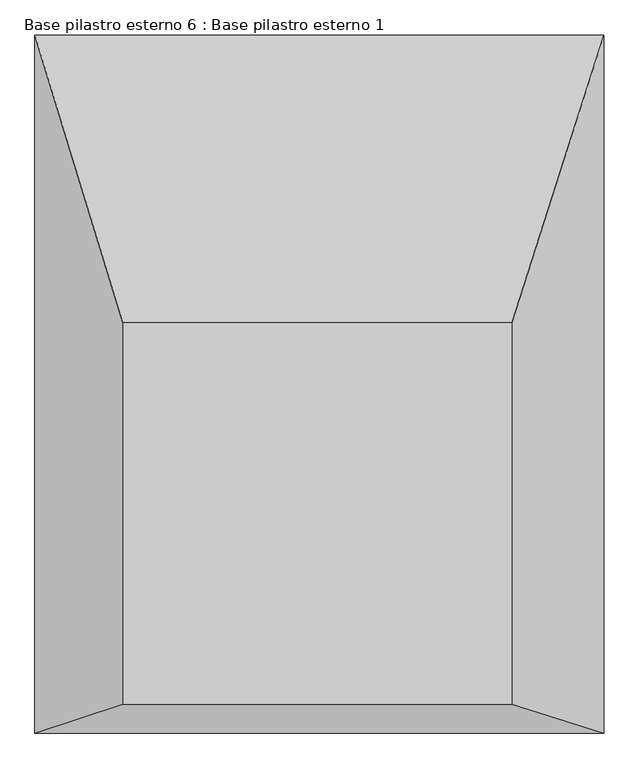
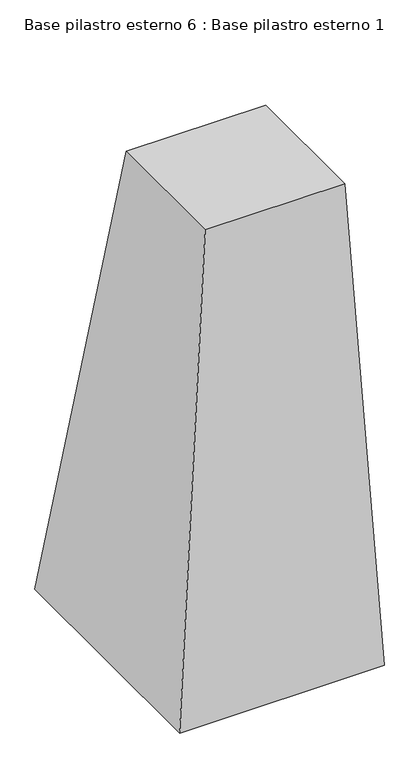
"""IFC4 building model written with IfcOpenShell, lengths in millimetres: column geometry, Base pilastro esterno 6 : Base pilastro esterno 1."""

from ifc_helpers import new_model, si_unit, origin, place, context, project, spatial, faceted_brep, source, transform, mapped, element, save


def base_pilastro_esterno_6_base_pilastro_esterno_1_2bf5d15f(model_context):
    return source(origin(), model_context, "Body", "Brep", [
        faceted_brep([(-57751.5039211, 123740.035984, -277.4358654), (-57148.5087154, 123740.035984, -277.4358654), (-57148.5087154, 124330.2918544, -277.4358654), (-57751.5039211, 124330.2918544, -277.4358654), (-57887.3901647, 123695.5650876, -2496.9800423), (-57887.3901647, 124776.1685911, -2496.9800423), (-57005.5415246, 124776.1685911, -2496.9800423), (-57005.5415246, 123695.5650876, -2496.9800423)], [[[0, 1, 2, 3]], [[4, 5, 6, 7]], [[4, 7, 1, 0]], [[7, 6, 2, 1]], [[6, 5, 3, 2]], [[5, 4, 0, 3]]]),
    ])


if __name__ == "__main__":
    model = new_model("IFC4")
    model_context = context("Model", 3, world=origin())
    ifc_project = project(units=[si_unit("LENGTHUNIT", "METRE", prefix="MILLI")], contexts=[model_context])
    site = spatial("IfcSite", under=ifc_project)
    building = spatial("IfcBuilding", under=site)
    placement = place(None, origin())
    base_pilastro_esterno_6_base_pilastro_esterno_1_shape = base_pilastro_esterno_6_base_pilastro_esterno_1_2bf5d15f(model_context)
    element("IfcColumn", 1, ObjectType="Base pilastro esterno 6 : Base pilastro esterno 1", at=placement, inside=building, context=model_context, shape_type="MappedRepresentation", body=[
        mapped(base_pilastro_esterno_6_base_pilastro_esterno_1_shape, transform((0.0, 0.0, 0.0), x_axis=(1.0, 0.0, 0.0), y_axis=(0.0, 1.0, 0.0), z_axis=(0.0, 0.0, 1.0))),
    ])
    save(model, "model.ifc")
